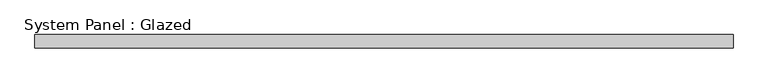
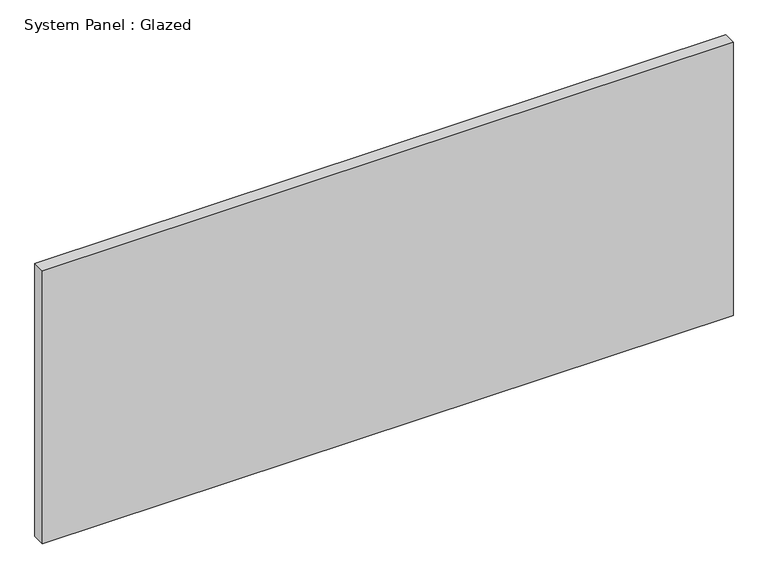
"""IFC4 building model written with IfcOpenShell, lengths in millimetres: plate geometry, System Panel : Glazed."""

from ifc_helpers import new_model, si_unit, origin, origin_with_axes, place, context, project, spatial, polyline, outline, extrude, source, transform, mapped, element, save


def system_panel_glazed_c1aa4936(model_context):
    return source(origin(), model_context, "Body", "SweptSolid", [
        extrude(outline(polyline([(668.3375, -12.7), (-668.3375, -12.7), (-668.3375, 12.7), (668.3375, 12.7), (668.3375, -12.7)])), origin_with_axes(), (0.0, 0.0, 1.0), 558.8),
    ])


if __name__ == "__main__":
    model = new_model("IFC4")
    model_context = context("Model", 3, world=origin())
    ifc_project = project(units=[si_unit("LENGTHUNIT", "METRE", prefix="MILLI")], contexts=[model_context])
    site = spatial("IfcSite", under=ifc_project)
    building = spatial("IfcBuilding", under=site)
    placement = place(None, origin())
    system_panel_glazed_shape = system_panel_glazed_c1aa4936(model_context)
    element("IfcPlate", 1, ObjectType="System Panel : Glazed", at=placement, inside=building, context=model_context, shape_type="MappedRepresentation", body=[
        mapped(system_panel_glazed_shape, transform((0.0, 0.0, 0.0), x_axis=(1.0, 0.0, 0.0), y_axis=(0.0, 1.0, 0.0), z_axis=(0.0, 0.0, 1.0))),
    ])
    save(model, "model.ifc")
